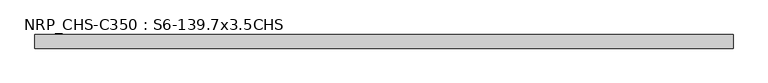
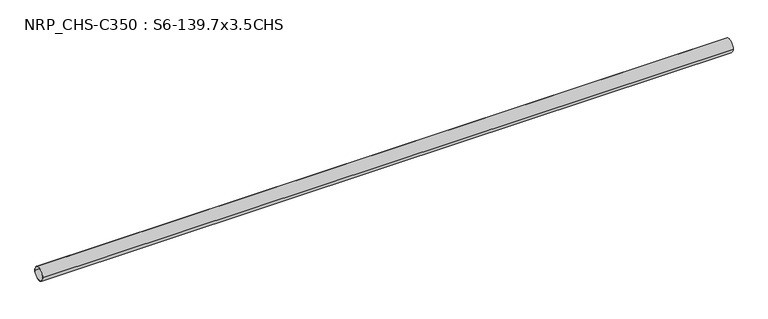
"""IFC4 building model written with IfcOpenShell, lengths in millimetres: beam geometry, NRP_CHS-C350 : S6-139.7x3.5CHS."""

from ifc_helpers import new_model, si_unit, point, frame, origin, origin_2d, place, context, project, spatial, circle_curve, trimmed, segment, composite_curve, outline, extrude, source, transform, mapped, element, save


def nrp_chs_c350_s6_139_7x3_5chs_f5136623(model_context):
    return source(origin(), model_context, "Body", "SweptSolid", [
        extrude(outline(composite_curve([segment(trimmed(circle_curve(origin_2d(), 69.85), [point((-69.85, 0.0))], [point((69.85, 0.0))], False, "CARTESIAN"), True, "CONTINUOUS"), segment(trimmed(circle_curve(origin_2d(), 69.85), [point((69.85, 0.0))], [point((-69.85, 0.0))], False, "CARTESIAN"), True, "CONTINUOUS")], self_intersect=False), holes=[composite_curve([segment(trimmed(circle_curve(origin_2d(), 66.35), [point((66.35, 0.0))], [point((-66.35, 0.0))], True, "CARTESIAN"), True, "CONTINUOUS"), segment(trimmed(circle_curve(origin_2d(), 66.35), [point((-66.35, 0.0))], [point((66.35, 0.0))], True, "CARTESIAN"), True, "CONTINUOUS")], self_intersect=False)]), frame((-3556.75, 0.0, 0.0), z_axis=(1.0, 0.0, 0.0), x_axis=(0.0, 1.0, 0.0)), (0.0, 0.0, 1.0), 7160.8),
    ])


if __name__ == "__main__":
    model = new_model("IFC4")
    model_context = context("Model", 3, world=origin())
    ifc_project = project(units=[si_unit("LENGTHUNIT", "METRE", prefix="MILLI")], contexts=[model_context])
    site = spatial("IfcSite", under=ifc_project)
    building = spatial("IfcBuilding", under=site)
    placement = place(None, origin())
    nrp_chs_c350_s6_139_7x3_5chs_shape = nrp_chs_c350_s6_139_7x3_5chs_f5136623(model_context)
    element("IfcBeam", 1, ObjectType="NRP_CHS-C350 : S6-139.7x3.5CHS", at=placement, inside=building, context=model_context, shape_type="MappedRepresentation", body=[
        mapped(nrp_chs_c350_s6_139_7x3_5chs_shape, transform((0.0, 0.0, 0.0), x_axis=(1.0, 0.0, 0.0), y_axis=(0.0, 1.0, 0.0), z_axis=(0.0, 0.0, 1.0))),
    ])
    save(model, "model.ifc")
